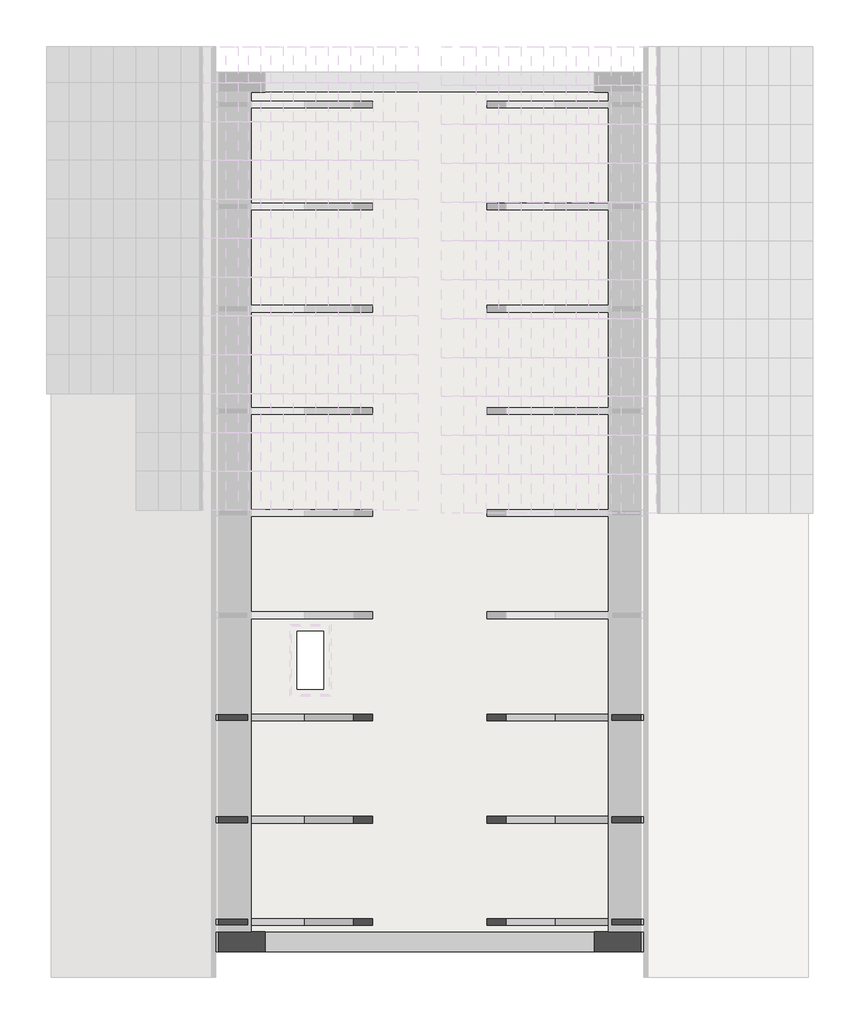
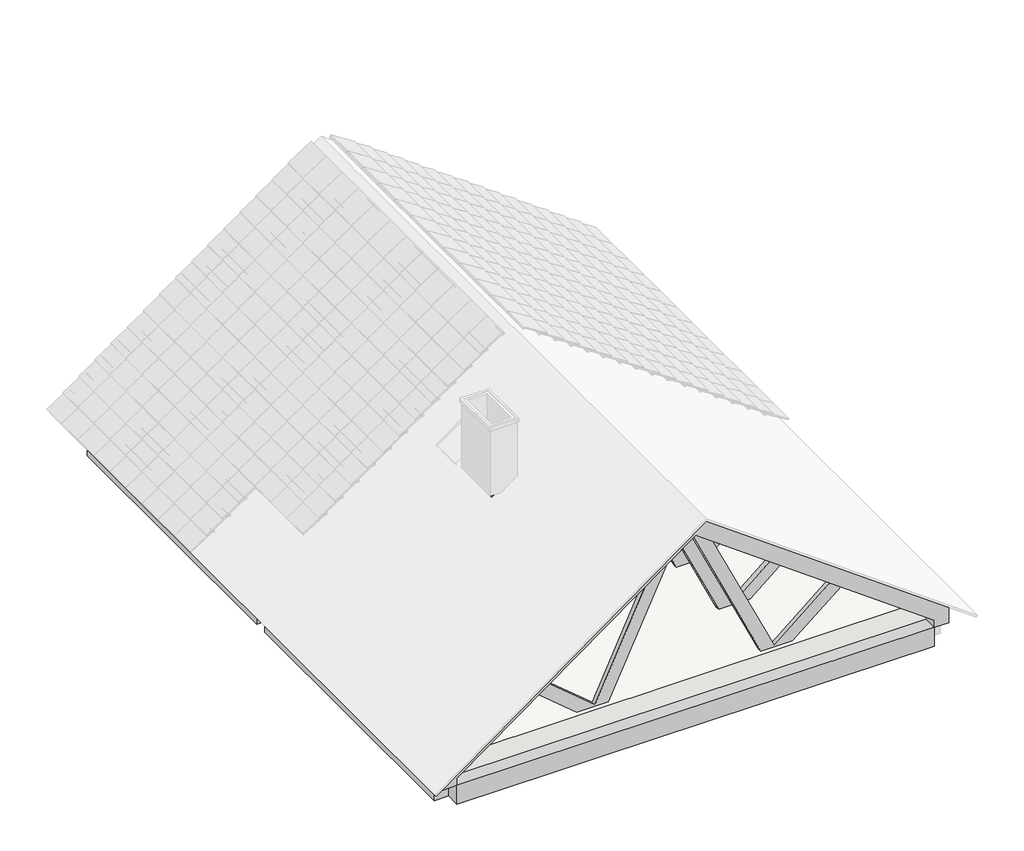
# One storey, part 8 of 9: 7 beams, 1 slab.
"""IFC4 building model written with IfcOpenShell, lengths in millimetres."""

from ifc_helpers import new_model, si_unit, frame, origin, place, context, project, spatial, polyline, outline, extrude, faceted_brep, element, save

model = new_model("IFC4")

# Units and contexts
model_context = context("Model", 3, world=origin())
ifc_project = project(units=[si_unit("LENGTHUNIT", "METRE", prefix="MILLI")], contexts=[model_context])

# Site, building, storey
site = spatial("IfcSite", under=ifc_project)
building = spatial("IfcBuilding", under=site)
storey = spatial("IfcBuildingStorey", under=building, Elevation=5669.9999999)

# Beams
placement = place(None, origin())
element("IfcBeam", 1, at=placement, inside=storey, context=model_context, shape_type="SweptSolid", body=[
    extrude(outline(polyline([(5766.7606605, -3657.9272493), (7946.3882445, -657.9272493), (5766.7606605, 2342.0727507), (5669.9999999, 2342.0727507), (5669.9999999, 2522.0727507), (5944.9999999, 2522.0727507), (8255.4052389, -657.9272493), (5944.9999999, -3837.9272493), (5669.9999999, -3837.9272493), (5669.9999999, -3657.9272493), (5766.7606605, -3657.9272493)])), frame((0.0, -4069.715237, 0.0), z_axis=(0.0, 1.0, 0.0), x_axis=(0.0, 0.0, 1.0)), (0.0, 0.0, 1.0), 180.0),
])
element("IfcBeam", 2, at=placement, inside=storey, context=model_context, shape_type="SolidModel", body=[
    faceted_brep([(-3837.9272493, -3829.715237, 5729.9999999), (-3817.9272493, -3829.715237, 5729.9999999), (-3677.9272493, -3829.715237, 5729.9999999), (-3662.9272493, -3829.715237, 5729.9999999), (-3657.9272493, -3829.715237, 5729.9999999), (-507.9197273, -3829.715237, 5729.9999999), (-382.9197273, -3829.715237, 5729.9999999), (2342.0727507, -3829.715237, 5729.9999999), (2347.0727507, -3829.715237, 5729.9999999), (2362.0727507, -3829.715237, 5729.9999999), (2502.0727507, -3829.715237, 5729.9999999), (2522.0727507, -3829.715237, 5729.9999999), (2522.0727507, -3829.715237, 5889.9999999), (2325.5654977, -3829.715237, 5889.9999999), (2300.0459734, -3829.715237, 5889.9999999), (661.8736823, -3829.715237, 5889.9999999), (316.2164222, -3829.715237, 5889.9999999), (-1632.0709208, -3829.715237, 5889.9999999), (-1977.7281809, -3829.715237, 5889.9999999), (-3615.900472, -3829.715237, 5889.9999999), (-3641.4199962, -3829.715237, 5889.9999999), (-3837.9272493, -3829.715237, 5889.9999999), (-3837.9272493, -3769.715237, 5729.9999999), (-3837.9272493, -3769.715237, 5889.9999999), (-3641.4199962, -3769.715237, 5889.9999999), (-3615.900472, -3769.715237, 5889.9999999), (-1977.7281809, -3769.715237, 5889.9999999), (-1632.0709208, -3769.715237, 5889.9999999), (316.2164222, -3769.715237, 5889.9999999), (661.8736823, -3769.715237, 5889.9999999), (2300.0459734, -3769.715237, 5889.9999999), (2325.5654977, -3769.715237, 5889.9999999), (2522.0727507, -3769.715237, 5889.9999999), (2522.0727507, -3769.715237, 5729.9999999), (2502.0727507, -3769.715237, 5729.9999999), (2362.0727507, -3769.715237, 5729.9999999), (2347.0727507, -3769.715237, 5729.9999999), (2342.0727507, -3769.715237, 5729.9999999), (-382.9197273, -3769.715237, 5729.9999999), (-507.9197273, -3769.715237, 5729.9999999), (-3657.9272493, -3769.715237, 5729.9999999), (-3662.9272493, -3769.715237, 5729.9999999), (-3677.9272493, -3769.715237, 5729.9999999), (-3817.9272493, -3769.715237, 5729.9999999)], [[[0, 1, 2, 3, 4, 5, 6, 7, 8, 9, 10, 11, 12, 13, 14, 15, 16, 17, 18, 19, 20, 21]], [[22, 23, 24, 25, 26, 27, 28, 29, 30, 31, 32, 33, 34, 35, 36, 37, 38, 39, 40, 41, 42, 43]], [[11, 10, 9, 8, 7, 6, 5, 4, 3, 2, 1, 0, 22, 43, 42, 41, 40, 39, 38, 37, 36, 35, 34, 33]], [[12, 11, 33, 32]], [[21, 20, 19, 18, 17, 16, 15, 14, 13, 12, 32, 31, 30, 29, 28, 27, 26, 25, 24, 23]], [[0, 21, 23, 22]]]),
    extrude(outline(polyline([(8255.4052389, -657.9272493), (8057.6343625, -657.9272493), (5889.9999999, 2325.5654977), (5889.9999999, 2522.0727507), (5944.9999999, 2522.0727507), (8255.4052389, -657.9272493)])), frame((0.0, -3829.715237, 0.0), z_axis=(0.0, 1.0, 0.0), x_axis=(0.0, 0.0, 1.0)), (0.0, 0.0, 1.0), 60.0),
    faceted_brep([(1433.9232753, -3829.715237, 6537.8159942), (1300.5175785, -3829.715237, 6634.7409064), (1288.6750376, -3829.715237, 6624.8039963), (470.3489062, -3829.715237, 5938.1580072), (-440.4591019, -3829.715237, 7881.0934853), (-453.6400094, -3829.715237, 7909.2109948), (-657.9272493, -3829.715237, 8057.6343625), (-657.9272493, -3829.715237, 7968.0431035), (302.153042, -3829.715237, 5919.9999999), (316.2164222, -3829.715237, 5889.9999999), (661.8736823, -3829.715237, 5889.9999999), (697.6268714, -3829.715237, 5919.9999999), (1422.0807344, -3829.715237, 6527.8790841), (-453.6400094, -3769.715237, 7909.2109948), (-657.9272493, -3769.715237, 8057.6343625), (-657.9272493, -3769.715237, 7968.0431035), (1433.9232753, -3769.715237, 6537.8159942), (1422.0807344, -3769.715237, 6527.8790841), (697.6268714, -3769.715237, 5919.9999999), (661.8736823, -3769.715237, 5889.9999999), (316.2164222, -3769.715237, 5889.9999999), (302.153042, -3769.715237, 5919.9999999), (-440.4591019, -3769.715237, 7881.0934853), (470.3489062, -3769.715237, 5938.1580072), (1288.6750376, -3769.715237, 6624.8039963), (1300.5175785, -3769.715237, 6634.7409064)], [[[0, 1, 2, 3, 4, 5, 6, 7, 8, 9, 10, 11, 12]], [[6, 5, 13, 14]], [[7, 6, 14, 15]], [[16, 17, 18, 19, 20, 21, 15, 14, 13, 22, 23, 24, 25]], [[0, 12, 11, 10, 19, 18, 17, 16]], [[10, 9, 20, 19]], [[9, 8, 7, 15, 21, 20]], [[5, 4, 3, 23, 22, 13]], [[3, 2, 1, 25, 24, 23]], [[1, 0, 16, 25]]]),
    faceted_brep([(-2749.7777739, -3829.715237, 6537.8159942), (-2737.935233, -3829.715237, 6527.8790841), (-2013.48137, -3829.715237, 5919.9999999), (-1977.7281809, -3829.715237, 5889.9999999), (-1632.0709208, -3829.715237, 5889.9999999), (-1618.0075406, -3829.715237, 5919.9999999), (-657.9272493, -3829.715237, 7968.0431035), (-657.9272493, -3829.715237, 8057.6343625), (-862.2144892, -3829.715237, 7909.2109948), (-875.3953967, -3829.715237, 7881.0934853), (-1786.2034048, -3829.715237, 5938.1580072), (-2604.5295362, -3829.715237, 6624.8039963), (-2616.372077, -3829.715237, 6634.7409064), (-657.9272493, -3769.715237, 7968.0431035), (-657.9272493, -3769.715237, 8057.6343625), (-862.2144892, -3769.715237, 7909.2109948), (-2749.7777739, -3769.715237, 6537.8159942), (-2616.372077, -3769.715237, 6634.7409064), (-2604.5295362, -3769.715237, 6624.8039963), (-1786.2034048, -3769.715237, 5938.1580072), (-875.3953967, -3769.715237, 7881.0934853), (-1618.0075406, -3769.715237, 5919.9999999), (-1632.0709208, -3769.715237, 5889.9999999), (-1977.7281809, -3769.715237, 5889.9999999), (-2013.48137, -3769.715237, 5919.9999999), (-2737.935233, -3769.715237, 6527.8790841)], [[[0, 1, 2, 3, 4, 5, 6, 7, 8, 9, 10, 11, 12]], [[7, 6, 13, 14]], [[8, 7, 14, 15]], [[16, 17, 18, 19, 20, 15, 14, 13, 21, 22, 23, 24, 25]], [[3, 2, 1, 0, 16, 25, 24, 23]], [[4, 3, 23, 22]], [[6, 5, 4, 22, 21, 13]], [[10, 9, 8, 15, 20, 19]], [[12, 11, 10, 19, 18, 17]], [[0, 12, 17, 16]]]),
    extrude(outline(polyline([(8255.4052389, -657.9272493), (5944.9999999, -3837.9272493), (5889.9999999, -3837.9272493), (5889.9999999, -3641.4199962), (8057.6343625, -657.9272493), (8255.4052389, -657.9272493)])), frame((0.0, -3829.715237, 0.0), z_axis=(0.0, 1.0, 0.0), x_axis=(0.0, 0.0, 1.0)), (0.0, 0.0, 1.0), 60.0),
])
element("IfcBeam", 3, at=placement, inside=storey, context=model_context, shape_type="SolidModel", body=[
    faceted_brep([(-3837.9272493, -2909.715237, 5729.9999999), (-3817.9272493, -2909.715237, 5729.9999999), (-3677.9272493, -2909.715237, 5729.9999999), (-3662.9272493, -2909.715237, 5729.9999999), (-3657.9272493, -2909.715237, 5729.9999999), (-507.9197273, -2909.715237, 5729.9999999), (-382.9197273, -2909.715237, 5729.9999999), (2342.0727507, -2909.715237, 5729.9999999), (2347.0727507, -2909.715237, 5729.9999999), (2362.0727507, -2909.715237, 5729.9999999), (2502.0727507, -2909.715237, 5729.9999999), (2522.0727507, -2909.715237, 5729.9999999), (2522.0727507, -2909.715237, 5889.9999999), (2325.5654977, -2909.715237, 5889.9999999), (2300.0459734, -2909.715237, 5889.9999999), (661.8736823, -2909.715237, 5889.9999999), (316.2164222, -2909.715237, 5889.9999999), (-1632.0709208, -2909.715237, 5889.9999999), (-1977.7281809, -2909.715237, 5889.9999999), (-3615.900472, -2909.715237, 5889.9999999), (-3641.4199962, -2909.715237, 5889.9999999), (-3837.9272493, -2909.715237, 5889.9999999), (-3837.9272493, -2849.715237, 5729.9999999), (-3837.9272493, -2849.715237, 5889.9999999), (-3641.4199962, -2849.715237, 5889.9999999), (-3615.900472, -2849.715237, 5889.9999999), (-1977.7281809, -2849.715237, 5889.9999999), (-1632.0709208, -2849.715237, 5889.9999999), (316.2164222, -2849.715237, 5889.9999999), (661.8736823, -2849.715237, 5889.9999999), (2300.0459734, -2849.715237, 5889.9999999), (2325.5654977, -2849.715237, 5889.9999999), (2522.0727507, -2849.715237, 5889.9999999), (2522.0727507, -2849.715237, 5729.9999999), (2502.0727507, -2849.715237, 5729.9999999), (2362.0727507, -2849.715237, 5729.9999999), (2347.0727507, -2849.715237, 5729.9999999), (2342.0727507, -2849.715237, 5729.9999999), (-382.9197273, -2849.715237, 5729.9999999), (-507.9197273, -2849.715237, 5729.9999999), (-3657.9272493, -2849.715237, 5729.9999999), (-3662.9272493, -2849.715237, 5729.9999999), (-3677.9272493, -2849.715237, 5729.9999999), (-3817.9272493, -2849.715237, 5729.9999999)], [[[0, 1, 2, 3, 4, 5, 6, 7, 8, 9, 10, 11, 12, 13, 14, 15, 16, 17, 18, 19, 20, 21]], [[22, 23, 24, 25, 26, 27, 28, 29, 30, 31, 32, 33, 34, 35, 36, 37, 38, 39, 40, 41, 42, 43]], [[11, 10, 9, 8, 7, 6, 5, 4, 3, 2, 1, 0, 22, 43, 42, 41, 40, 39, 38, 37, 36, 35, 34, 33]], [[12, 11, 33, 32]], [[21, 20, 19, 18, 17, 16, 15, 14, 13, 12, 32, 31, 30, 29, 28, 27, 26, 25, 24, 23]], [[0, 21, 23, 22]]]),
    extrude(outline(polyline([(8255.4052389, -657.9272493), (8057.6343625, -657.9272493), (5889.9999999, 2325.5654977), (5889.9999999, 2522.0727507), (5944.9999999, 2522.0727507), (8255.4052389, -657.9272493)])), frame((0.0, -2909.715237, 0.0), z_axis=(0.0, 1.0, 0.0), x_axis=(0.0, 0.0, 1.0)), (0.0, 0.0, 1.0), 60.0),
    faceted_brep([(1433.9232753, -2909.715237, 6537.8159942), (1300.5175785, -2909.715237, 6634.7409064), (1288.6750376, -2909.715237, 6624.8039963), (470.3489062, -2909.715237, 5938.1580072), (-440.4591019, -2909.715237, 7881.0934853), (-453.6400094, -2909.715237, 7909.2109948), (-657.9272493, -2909.715237, 8057.6343625), (-657.9272493, -2909.715237, 7968.0431035), (302.153042, -2909.715237, 5919.9999999), (316.2164222, -2909.715237, 5889.9999999), (661.8736823, -2909.715237, 5889.9999999), (697.6268714, -2909.715237, 5919.9999999), (1422.0807344, -2909.715237, 6527.8790841), (-453.6400094, -2849.715237, 7909.2109948), (-657.9272493, -2849.715237, 8057.6343625), (-657.9272493, -2849.715237, 7968.0431035), (1433.9232753, -2849.715237, 6537.8159942), (1422.0807344, -2849.715237, 6527.8790841), (697.6268714, -2849.715237, 5919.9999999), (661.8736823, -2849.715237, 5889.9999999), (316.2164222, -2849.715237, 5889.9999999), (302.153042, -2849.715237, 5919.9999999), (-440.4591019, -2849.715237, 7881.0934853), (470.3489062, -2849.715237, 5938.1580072), (1288.6750376, -2849.715237, 6624.8039963), (1300.5175785, -2849.715237, 6634.7409064)], [[[0, 1, 2, 3, 4, 5, 6, 7, 8, 9, 10, 11, 12]], [[6, 5, 13, 14]], [[7, 6, 14, 15]], [[16, 17, 18, 19, 20, 21, 15, 14, 13, 22, 23, 24, 25]], [[0, 12, 11, 10, 19, 18, 17, 16]], [[10, 9, 20, 19]], [[9, 8, 7, 15, 21, 20]], [[5, 4, 3, 23, 22, 13]], [[3, 2, 1, 25, 24, 23]], [[1, 0, 16, 25]]]),
    faceted_brep([(-2749.7777739, -2909.715237, 6537.8159942), (-2737.935233, -2909.715237, 6527.8790841), (-2013.48137, -2909.715237, 5919.9999999), (-1977.7281809, -2909.715237, 5889.9999999), (-1632.0709208, -2909.715237, 5889.9999999), (-1618.0075406, -2909.715237, 5919.9999999), (-657.9272493, -2909.715237, 7968.0431035), (-657.9272493, -2909.715237, 8057.6343625), (-862.2144892, -2909.715237, 7909.2109948), (-875.3953967, -2909.715237, 7881.0934853), (-1786.2034048, -2909.715237, 5938.1580072), (-2604.5295362, -2909.715237, 6624.8039963), (-2616.372077, -2909.715237, 6634.7409064), (-657.9272493, -2849.715237, 7968.0431035), (-657.9272493, -2849.715237, 8057.6343625), (-862.2144892, -2849.715237, 7909.2109948), (-2749.7777739, -2849.715237, 6537.8159942), (-2616.372077, -2849.715237, 6634.7409064), (-2604.5295362, -2849.715237, 6624.8039963), (-1786.2034048, -2849.715237, 5938.1580072), (-875.3953967, -2849.715237, 7881.0934853), (-1618.0075406, -2849.715237, 5919.9999999), (-1632.0709208, -2849.715237, 5889.9999999), (-1977.7281809, -2849.715237, 5889.9999999), (-2013.48137, -2849.715237, 5919.9999999), (-2737.935233, -2849.715237, 6527.8790841)], [[[0, 1, 2, 3, 4, 5, 6, 7, 8, 9, 10, 11, 12]], [[7, 6, 13, 14]], [[8, 7, 14, 15]], [[16, 17, 18, 19, 20, 15, 14, 13, 21, 22, 23, 24, 25]], [[3, 2, 1, 0, 16, 25, 24, 23]], [[4, 3, 23, 22]], [[6, 5, 4, 22, 21, 13]], [[10, 9, 8, 15, 20, 19]], [[12, 11, 10, 19, 18, 17]], [[0, 12, 17, 16]]]),
    extrude(outline(polyline([(8255.4052389, -657.9272493), (5944.9999999, -3837.9272493), (5889.9999999, -3837.9272493), (5889.9999999, -3641.4199962), (8057.6343625, -657.9272493), (8255.4052389, -657.9272493)])), frame((0.0, -2909.715237, 0.0), z_axis=(0.0, 1.0, 0.0), x_axis=(0.0, 0.0, 1.0)), (0.0, 0.0, 1.0), 60.0),
])
element("IfcBeam", 4, at=placement, inside=storey, context=model_context, shape_type="SolidModel", body=[
    faceted_brep([(-3837.9272493, -1989.715237, 5729.9999999), (-3817.9272493, -1989.715237, 5729.9999999), (-3677.9272493, -1989.715237, 5729.9999999), (-3662.9272493, -1989.715237, 5729.9999999), (-3657.9272493, -1989.715237, 5729.9999999), (-507.9197273, -1989.715237, 5729.9999999), (-382.9197273, -1989.715237, 5729.9999999), (2342.0727507, -1989.715237, 5729.9999999), (2347.0727507, -1989.715237, 5729.9999999), (2362.0727507, -1989.715237, 5729.9999999), (2502.0727507, -1989.715237, 5729.9999999), (2522.0727507, -1989.715237, 5729.9999999), (2522.0727507, -1989.715237, 5889.9999999), (2325.5654977, -1989.715237, 5889.9999999), (2300.0459734, -1989.715237, 5889.9999999), (661.8736823, -1989.715237, 5889.9999999), (316.2164222, -1989.715237, 5889.9999999), (-1632.0709208, -1989.715237, 5889.9999999), (-1977.7281809, -1989.715237, 5889.9999999), (-3615.900472, -1989.715237, 5889.9999999), (-3641.4199962, -1989.715237, 5889.9999999), (-3837.9272493, -1989.715237, 5889.9999999), (-3837.9272493, -1929.715237, 5729.9999999), (-3837.9272493, -1929.715237, 5889.9999999), (-3641.4199962, -1929.715237, 5889.9999999), (-3615.900472, -1929.715237, 5889.9999999), (-1977.7281809, -1929.715237, 5889.9999999), (-1632.0709208, -1929.715237, 5889.9999999), (316.2164222, -1929.715237, 5889.9999999), (661.8736823, -1929.715237, 5889.9999999), (2300.0459734, -1929.715237, 5889.9999999), (2325.5654977, -1929.715237, 5889.9999999), (2522.0727507, -1929.715237, 5889.9999999), (2522.0727507, -1929.715237, 5729.9999999), (2502.0727507, -1929.715237, 5729.9999999), (2362.0727507, -1929.715237, 5729.9999999), (2347.0727507, -1929.715237, 5729.9999999), (2342.0727507, -1929.715237, 5729.9999999), (-382.9197273, -1929.715237, 5729.9999999), (-507.9197273, -1929.715237, 5729.9999999), (-3657.9272493, -1929.715237, 5729.9999999), (-3662.9272493, -1929.715237, 5729.9999999), (-3677.9272493, -1929.715237, 5729.9999999), (-3817.9272493, -1929.715237, 5729.9999999)], [[[0, 1, 2, 3, 4, 5, 6, 7, 8, 9, 10, 11, 12, 13, 14, 15, 16, 17, 18, 19, 20, 21]], [[22, 23, 24, 25, 26, 27, 28, 29, 30, 31, 32, 33, 34, 35, 36, 37, 38, 39, 40, 41, 42, 43]], [[11, 10, 9, 8, 7, 6, 5, 4, 3, 2, 1, 0, 22, 43, 42, 41, 40, 39, 38, 37, 36, 35, 34, 33]], [[12, 11, 33, 32]], [[21, 20, 19, 18, 17, 16, 15, 14, 13, 12, 32, 31, 30, 29, 28, 27, 26, 25, 24, 23]], [[0, 21, 23, 22]]]),
    extrude(outline(polyline([(8255.4052389, -657.9272493), (8057.6343625, -657.9272493), (5889.9999999, 2325.5654977), (5889.9999999, 2522.0727507), (5944.9999999, 2522.0727507), (8255.4052389, -657.9272493)])), frame((0.0, -1989.715237, 0.0), z_axis=(0.0, 1.0, 0.0), x_axis=(0.0, 0.0, 1.0)), (0.0, 0.0, 1.0), 60.0),
    faceted_brep([(1433.9232753, -1989.715237, 6537.8159942), (1300.5175785, -1989.715237, 6634.7409064), (1288.6750376, -1989.715237, 6624.8039963), (470.3489062, -1989.715237, 5938.1580072), (-440.4591019, -1989.715237, 7881.0934853), (-453.6400094, -1989.715237, 7909.2109948), (-657.9272493, -1989.715237, 8057.6343625), (-657.9272493, -1989.715237, 7968.0431035), (302.153042, -1989.715237, 5919.9999999), (316.2164222, -1989.715237, 5889.9999999), (661.8736823, -1989.715237, 5889.9999999), (697.6268714, -1989.715237, 5919.9999999), (1422.0807344, -1989.715237, 6527.8790841), (-453.6400094, -1929.715237, 7909.2109948), (-657.9272493, -1929.715237, 8057.6343625), (-657.9272493, -1929.715237, 7968.0431035), (1433.9232753, -1929.715237, 6537.8159942), (1422.0807344, -1929.715237, 6527.8790841), (697.6268714, -1929.715237, 5919.9999999), (661.8736823, -1929.715237, 5889.9999999), (316.2164222, -1929.715237, 5889.9999999), (302.153042, -1929.715237, 5919.9999999), (-440.4591019, -1929.715237, 7881.0934853), (470.3489062, -1929.715237, 5938.1580072), (1288.6750376, -1929.715237, 6624.8039963), (1300.5175785, -1929.715237, 6634.7409064)], [[[0, 1, 2, 3, 4, 5, 6, 7, 8, 9, 10, 11, 12]], [[6, 5, 13, 14]], [[7, 6, 14, 15]], [[16, 17, 18, 19, 20, 21, 15, 14, 13, 22, 23, 24, 25]], [[0, 12, 11, 10, 19, 18, 17, 16]], [[10, 9, 20, 19]], [[9, 8, 7, 15, 21, 20]], [[5, 4, 3, 23, 22, 13]], [[3, 2, 1, 25, 24, 23]], [[1, 0, 16, 25]]]),
    faceted_brep([(-2749.7777739, -1989.715237, 6537.8159942), (-2737.935233, -1989.715237, 6527.8790841), (-2013.48137, -1989.715237, 5919.9999999), (-1977.7281809, -1989.715237, 5889.9999999), (-1632.0709208, -1989.715237, 5889.9999999), (-1618.0075406, -1989.715237, 5919.9999999), (-657.9272493, -1989.715237, 7968.0431035), (-657.9272493, -1989.715237, 8057.6343625), (-862.2144892, -1989.715237, 7909.2109948), (-875.3953967, -1989.715237, 7881.0934853), (-1786.2034048, -1989.715237, 5938.1580072), (-2604.5295362, -1989.715237, 6624.8039963), (-2616.372077, -1989.715237, 6634.7409064), (-657.9272493, -1929.715237, 7968.0431035), (-657.9272493, -1929.715237, 8057.6343625), (-862.2144892, -1929.715237, 7909.2109948), (-2749.7777739, -1929.715237, 6537.8159942), (-2616.372077, -1929.715237, 6634.7409064), (-2604.5295362, -1929.715237, 6624.8039963), (-1786.2034048, -1929.715237, 5938.1580072), (-875.3953967, -1929.715237, 7881.0934853), (-1618.0075406, -1929.715237, 5919.9999999), (-1632.0709208, -1929.715237, 5889.9999999), (-1977.7281809, -1929.715237, 5889.9999999), (-2013.48137, -1929.715237, 5919.9999999), (-2737.935233, -1929.715237, 6527.8790841)], [[[0, 1, 2, 3, 4, 5, 6, 7, 8, 9, 10, 11, 12]], [[7, 6, 13, 14]], [[8, 7, 14, 15]], [[16, 17, 18, 19, 20, 15, 14, 13, 21, 22, 23, 24, 25]], [[3, 2, 1, 0, 16, 25, 24, 23]], [[4, 3, 23, 22]], [[6, 5, 4, 22, 21, 13]], [[10, 9, 8, 15, 20, 19]], [[12, 11, 10, 19, 18, 17]], [[0, 12, 17, 16]]]),
    extrude(outline(polyline([(8255.4052389, -657.9272493), (5944.9999999, -3837.9272493), (5889.9999999, -3837.9272493), (5889.9999999, -3641.4199962), (8057.6343625, -657.9272493), (8255.4052389, -657.9272493)])), frame((0.0, -1989.715237, 0.0), z_axis=(0.0, 1.0, 0.0), x_axis=(0.0, 0.0, 1.0)), (0.0, 0.0, 1.0), 60.0),
])
element("IfcBeam", 5, ObjectType="180 x 250 mm", at=placement, inside=storey, context=model_context, shape_type="SweptSolid", body=[
    extrude(outline(polyline([(-3837.9272493, 3670.284763), (-3657.9272493, 3670.284763), (-3657.9272493, -19.715237), (-3837.9272493, -19.715237), (-3837.9272493, 3670.284763)])), frame((0.0, 0.0, 5419.9999999), z_axis=(0.0, 0.0, 1.0), x_axis=(1.0, 0.0, 0.0)), (0.0, 0.0, 1.0), 250.0),
    extrude(outline(polyline([(-3657.9272493, -3889.715237), (-3837.9272493, -3889.715237), (-3837.9272493, -199.715237), (-3657.9272493, -199.715237), (-3657.9272493, -3889.715237)])), frame((0.0, 0.0, 5419.9999999), z_axis=(0.0, 0.0, 1.0), x_axis=(1.0, 0.0, 0.0)), (0.0, 0.0, 1.0), 250.0),
])
element("IfcBeam", 6, ObjectType="180 x 250 mm", at=placement, inside=storey, context=model_context, shape_type="Brep", body=[
    faceted_brep([(-3657.9272493, -3889.715237, 5669.9999999), (-3657.9272493, -4069.715237, 5669.9999999), (2342.0727507, -4069.715237, 5669.9999999), (2342.0727507, -3889.715237, 5669.9999999), (-3657.9272493, -3889.715237, 5419.9999999), (2342.0727507, -3889.715237, 5419.9999999), (1142.0727509, -3889.715237, 5419.9999999), (142.0727509, -3889.715237, 5419.9999999), (-1857.9272492, -3889.715237, 5419.9999999), (-2457.9272492, -3889.715237, 5419.9999999), (-3657.9272493, -4069.715237, 5419.9999999), (2342.0727507, -4069.715237, 5419.9999999), (1142.0727509, -4069.715237, 5419.9999999), (142.0727509, -4069.715237, 5419.9999999), (-1857.9272492, -4069.715237, 5419.9999999), (-2457.9272492, -4069.715237, 5419.9999999)], [[[0, 1, 2, 3]], [[4, 0, 3, 5, 6, 7, 8, 9]], [[10, 4, 9, 8, 7, 6, 5, 11, 12, 13, 14, 15]], [[1, 10, 15, 14, 13, 12, 11, 2]], [[1, 0, 4, 10]], [[3, 2, 11, 5]]]),
])
element("IfcBeam", 7, ObjectType="60x140mm", at=placement, inside=storey, context=model_context, shape_type="Brep", body=[
    faceted_brep([(-3817.9272493, 3670.284763, 5729.9999999), (-3677.9272493, 3670.284763, 5729.9999999), (-3677.9272493, 3670.284763, 5669.9999999), (-3817.9272493, 3670.284763, 5669.9999999), (-3817.9272493, -3889.715237, 5729.9999999), (-3817.9272493, -3889.715237, 5669.9999999), (-3677.9272493, -3889.715237, 5669.9999999), (-3677.9272493, -3889.715237, 5729.9999999), (-3817.9272493, 3590.284763, 5729.9999999), (-3817.9272493, 3530.284763, 5729.9999999), (-3817.9272493, 2670.284763, 5729.9999999), (-3817.9272493, 2610.284763, 5729.9999999), (-3817.9272493, 1750.284763, 5729.9999999), (-3817.9272493, 1690.284763, 5729.9999999), (-3817.9272493, 830.284763, 5729.9999999), (-3817.9272493, 770.284763, 5729.9999999), (-3817.9272493, -89.715237, 5729.9999999), (-3817.9272493, -149.715237, 5729.9999999), (-3817.9272493, -1009.715237, 5729.9999999), (-3817.9272493, -1069.715237, 5729.9999999), (-3817.9272493, -1929.715237, 5729.9999999), (-3817.9272493, -1989.715237, 5729.9999999), (-3817.9272493, -2849.715237, 5729.9999999), (-3817.9272493, -2909.715237, 5729.9999999), (-3817.9272493, -3769.715237, 5729.9999999), (-3817.9272493, -3829.715237, 5729.9999999), (-3677.9272493, -3829.715237, 5729.9999999), (-3677.9272493, -3769.715237, 5729.9999999), (-3677.9272493, -2909.715237, 5729.9999999), (-3677.9272493, -2849.715237, 5729.9999999), (-3677.9272493, -1989.715237, 5729.9999999), (-3677.9272493, -1929.715237, 5729.9999999), (-3677.9272493, -1069.715237, 5729.9999999), (-3677.9272493, -1009.715237, 5729.9999999), (-3677.9272493, -149.715237, 5729.9999999), (-3677.9272493, -89.715237, 5729.9999999), (-3677.9272493, 770.284763, 5729.9999999), (-3677.9272493, 830.284763, 5729.9999999), (-3677.9272493, 1690.284763, 5729.9999999), (-3677.9272493, 1750.284763, 5729.9999999), (-3677.9272493, 2610.284763, 5729.9999999), (-3677.9272493, 2670.284763, 5729.9999999), (-3677.9272493, 3530.284763, 5729.9999999), (-3677.9272493, 3590.284763, 5729.9999999)], [[[0, 1, 2, 3]], [[4, 5, 6, 7]], [[1, 0, 8, 9, 10, 11, 12, 13, 14, 15, 16, 17, 18, 19, 20, 21, 22, 23, 24, 25, 4, 7, 26, 27, 28, 29, 30, 31, 32, 33, 34, 35, 36, 37, 38, 39, 40, 41, 42, 43]], [[2, 1, 43, 42, 41, 40, 39, 38, 37, 36, 35, 34, 33, 32, 31, 30, 29, 28, 27, 26, 7, 6]], [[3, 2, 6, 5]], [[0, 3, 5, 4, 25, 24, 23, 22, 21, 20, 19, 18, 17, 16, 15, 14, 13, 12, 11, 10, 9, 8]]]),
])

# Slab
element("IfcSlab", 8, at=placement, inside=storey, context=model_context, shape_type="Brep", body=[
    faceted_brep([(2342.0727507, 3670.284763, 5629.9999999), (2342.0727507, -3889.715237, 5629.9999999), (-3657.9272493, -3889.715237, 5629.9999999), (-3657.9272493, 3670.284763, 5629.9999999), (-1612.9272492, -1184.7138206, 5629.9999999), (-1852.9272492, -1184.7138206, 5629.9999999), (-1852.9272492, -1704.7138206, 5629.9999999), (-1612.9272492, -1704.7138206, 5629.9999999), (-507.9197273, 3655.284763, 5629.9999999), (-507.9197273, -3874.715237, 5629.9999999), (-382.9197273, -3874.715237, 5629.9999999), (-382.9197273, 3655.284763, 5629.9999999), (2258.7545158, 3670.284763, 5919.9999999), (-3574.6090144, 3670.284763, 5919.9999999), (-3574.6090144, -3889.715237, 5919.9999999), (2258.7545158, -3889.715237, 5919.9999999), (-1852.9272492, -1184.7138206, 5919.9999999), (-1612.9272492, -1184.7138206, 5919.9999999), (-1612.9272492, -1704.7138206, 5919.9999999), (-1852.9272492, -1704.7138206, 5919.9999999), (-1618.0075406, 3530.284763, 5919.9999999), (-2013.48137, 3530.284763, 5919.9999999), (-2013.48137, 3590.284763, 5919.9999999), (-1618.0075406, 3590.284763, 5919.9999999), (697.6268714, 3530.284763, 5919.9999999), (302.153042, 3530.284763, 5919.9999999), (302.153042, 3590.284763, 5919.9999999), (697.6268714, 3590.284763, 5919.9999999), (-1618.0075406, 2610.284763, 5919.9999999), (-2013.48137, 2610.284763, 5919.9999999), (-2013.48137, 2670.284763, 5919.9999999), (-1618.0075406, 2670.284763, 5919.9999999), (697.6268714, 2610.284763, 5919.9999999), (302.153042, 2610.284763, 5919.9999999), (302.153042, 2670.284763, 5919.9999999), (697.6268714, 2670.284763, 5919.9999999), (-1618.0075406, 770.284763, 5919.9999999), (-2013.48137, 770.284763, 5919.9999999), (-2013.48137, 830.284763, 5919.9999999), (-1618.0075406, 830.284763, 5919.9999999), (697.6268714, 770.284763, 5919.9999999), (302.153042, 770.284763, 5919.9999999), (302.153042, 830.284763, 5919.9999999), (697.6268714, 830.284763, 5919.9999999), (-1618.0075406, -149.715237, 5919.9999999), (-2013.48137, -149.715237, 5919.9999999), (-2013.48137, -89.715237, 5919.9999999), (-1618.0075406, -89.715237, 5919.9999999), (697.6268714, -149.715237, 5919.9999999), (302.153042, -149.715237, 5919.9999999), (302.153042, -89.715237, 5919.9999999), (697.6268714, -89.715237, 5919.9999999), (-1618.0075406, -1069.715237, 5919.9999999), (-2013.48137, -1069.715237, 5919.9999999), (-2013.48137, -1009.715237, 5919.9999999), (-1618.0075406, -1009.715237, 5919.9999999), (697.6268714, -1069.715237, 5919.9999999), (302.153042, -1069.715237, 5919.9999999), (302.153042, -1009.715237, 5919.9999999), (697.6268714, -1009.715237, 5919.9999999), (-1618.0075406, -1989.715237, 5919.9999999), (-2013.48137, -1989.715237, 5919.9999999), (-2013.48137, -1929.715237, 5919.9999999), (-1618.0075406, -1929.715237, 5919.9999999), (697.6268714, -1989.715237, 5919.9999999), (302.153042, -1989.715237, 5919.9999999), (302.153042, -1929.715237, 5919.9999999), (697.6268714, -1929.715237, 5919.9999999), (-1618.0075406, -2909.715237, 5919.9999999), (-2013.48137, -2909.715237, 5919.9999999), (-2013.48137, -2849.715237, 5919.9999999), (-1618.0075406, -2849.715237, 5919.9999999), (697.6268714, -2909.715237, 5919.9999999), (302.153042, -2909.715237, 5919.9999999), (302.153042, -2849.715237, 5919.9999999), (697.6268714, -2849.715237, 5919.9999999), (-1618.0075406, -3829.715237, 5919.9999999), (-2013.48137, -3829.715237, 5919.9999999), (-2013.48137, -3769.715237, 5919.9999999), (-1618.0075406, -3769.715237, 5919.9999999), (697.6268714, -3829.715237, 5919.9999999), (302.153042, -3829.715237, 5919.9999999), (302.153042, -3769.715237, 5919.9999999), (697.6268714, -3769.715237, 5919.9999999), (-1618.0075406, 1690.284763, 5919.9999999), (-2013.48137, 1690.284763, 5919.9999999), (-2013.48137, 1750.284763, 5919.9999999), (-1618.0075406, 1750.284763, 5919.9999999), (697.6268714, 1690.284763, 5919.9999999), (302.153042, 1690.284763, 5919.9999999), (302.153042, 1750.284763, 5919.9999999), (697.6268714, 1750.284763, 5919.9999999), (2342.0727507, 3670.284763, 5859.4657589), (2342.0727507, 3590.284763, 5859.4657589), (2342.0727507, 3590.284763, 5729.9999999), (2342.0727507, 3530.284763, 5729.9999999), (2342.0727507, 3530.284763, 5859.4657589), (2342.0727507, 2670.284763, 5859.4657589), (2342.0727507, 2670.284763, 5729.9999999), (2342.0727507, 2610.284763, 5729.9999999), (2342.0727507, 2610.284763, 5859.4657589), (2342.0727507, 1750.284763, 5859.4657589), (2342.0727507, 1750.284763, 5729.9999999), (2342.0727507, 1690.284763, 5729.9999999), (2342.0727507, 1690.284763, 5859.4657589), (2342.0727507, 830.284763, 5859.4657589), (2342.0727507, 830.284763, 5729.9999999), (2342.0727507, 770.284763, 5729.9999999), (2342.0727507, 770.284763, 5859.4657589), (2342.0727507, -89.715237, 5859.4657589), (2342.0727507, -89.715237, 5729.9999999), (2342.0727507, -149.715237, 5729.9999999), (2342.0727507, -149.715237, 5859.4657589), (2342.0727507, -1009.715237, 5859.4657589), (2342.0727507, -1009.715237, 5729.9999999), (2342.0727507, -1069.715237, 5729.9999999), (2342.0727507, -1069.715237, 5859.4657589), (2342.0727507, -1929.715237, 5859.4657589), (2342.0727507, -1929.715237, 5729.9999999), (2342.0727507, -1989.715237, 5729.9999999), (2342.0727507, -1989.715237, 5859.4657589), (2342.0727507, -2849.715237, 5859.4657589), (2342.0727507, -2849.715237, 5729.9999999), (2342.0727507, -2909.715237, 5729.9999999), (2342.0727507, -2909.715237, 5859.4657589), (2342.0727507, -3769.715237, 5859.4657589), (2342.0727507, -3769.715237, 5729.9999999), (2342.0727507, -3829.715237, 5729.9999999), (2342.0727507, -3829.715237, 5859.4657589), (2342.0727507, -3889.715237, 5859.4657589), (-3657.9272493, -3889.715237, 5859.4657589), (-3657.9272493, -3829.715237, 5859.4657589), (-3657.9272493, -3829.715237, 5729.9999999), (-3657.9272493, -3769.715237, 5729.9999999), (-3657.9272493, -3769.715237, 5859.4657589), (-3657.9272493, -2909.715237, 5859.4657589), (-3657.9272493, -2909.715237, 5729.9999999), (-3657.9272493, -2849.715237, 5729.9999999), (-3657.9272493, -2849.715237, 5859.4657589), (-3657.9272493, -1989.715237, 5859.4657589), (-3657.9272493, -1989.715237, 5729.9999999), (-3657.9272493, -1929.715237, 5729.9999999), (-3657.9272493, -1929.715237, 5859.4657589), (-3657.9272493, -1069.715237, 5859.4657589), (-3657.9272493, -1069.715237, 5729.9999999), (-3657.9272493, -1009.715237, 5729.9999999), (-3657.9272493, -1009.715237, 5859.4657589), (-3657.9272493, -149.715237, 5859.4657589), (-3657.9272493, -149.715237, 5729.9999999), (-3657.9272493, -89.715237, 5729.9999999), (-3657.9272493, -89.715237, 5859.4657589), (-3657.9272493, 770.284763, 5859.4657589), (-3657.9272493, 770.284763, 5729.9999999), (-3657.9272493, 830.284763, 5729.9999999), (-3657.9272493, 830.284763, 5859.4657589), (-3657.9272493, 1690.284763, 5859.4657589), (-3657.9272493, 1690.284763, 5729.9999999), (-3657.9272493, 1750.284763, 5729.9999999), (-3657.9272493, 1750.284763, 5859.4657589), (-3657.9272493, 2610.284763, 5859.4657589), (-3657.9272493, 2610.284763, 5729.9999999), (-3657.9272493, 2670.284763, 5729.9999999), (-3657.9272493, 2670.284763, 5859.4657589), (-3657.9272493, 3530.284763, 5859.4657589), (-3657.9272493, 3530.284763, 5729.9999999), (-3657.9272493, 3590.284763, 5729.9999999), (-3657.9272493, 3590.284763, 5859.4657589), (-3657.9272493, 3670.284763, 5859.4657589), (-3615.900472, 3590.284763, 5889.9999999), (-3615.900472, 3530.284763, 5889.9999999), (-3615.900472, 2670.284763, 5889.9999999), (-3615.900472, 2610.284763, 5889.9999999), (-3615.900472, 1750.284763, 5889.9999999), (-3615.900472, 1690.284763, 5889.9999999), (-3615.900472, 830.284763, 5889.9999999), (-3615.900472, 770.284763, 5889.9999999), (-3615.900472, -89.715237, 5889.9999999), (-3615.900472, -149.715237, 5889.9999999), (-3615.900472, -1009.715237, 5889.9999999), (-3615.900472, -1069.715237, 5889.9999999), (-3615.900472, -1929.715237, 5889.9999999), (-3615.900472, -1989.715237, 5889.9999999), (-3615.900472, -2849.715237, 5889.9999999), (-3615.900472, -2909.715237, 5889.9999999), (-3615.900472, -3769.715237, 5889.9999999), (-3615.900472, -3829.715237, 5889.9999999), (2300.0459734, -3829.715237, 5889.9999999), (2300.0459734, -3769.715237, 5889.9999999), (2300.0459734, -2909.715237, 5889.9999999), (2300.0459734, -2849.715237, 5889.9999999), (2300.0459734, -1989.715237, 5889.9999999), (2300.0459734, -1929.715237, 5889.9999999), (2300.0459734, -1069.715237, 5889.9999999), (2300.0459734, -1009.715237, 5889.9999999), (2300.0459734, -149.715237, 5889.9999999), (2300.0459734, -89.715237, 5889.9999999), (2300.0459734, 770.284763, 5889.9999999), (2300.0459734, 830.284763, 5889.9999999), (2300.0459734, 1690.284763, 5889.9999999), (2300.0459734, 1750.284763, 5889.9999999), (2300.0459734, 2610.284763, 5889.9999999), (2300.0459734, 2670.284763, 5889.9999999), (2300.0459734, 3530.284763, 5889.9999999), (2300.0459734, 3590.284763, 5889.9999999), (-382.9197273, 3590.284763, 5729.9999999), (-382.9197273, 3530.284763, 5729.9999999), (-507.9197273, 3530.284763, 5729.9999999), (-507.9197273, 3590.284763, 5729.9999999), (661.8736823, 3530.284763, 5889.9999999), (661.8736823, 3590.284763, 5889.9999999), (316.2164222, 3530.284763, 5889.9999999), (-1632.0709208, 3530.284763, 5889.9999999), (-1632.0709208, 3590.284763, 5889.9999999), (316.2164222, 3590.284763, 5889.9999999), (-1977.7281809, 3530.284763, 5889.9999999), (-1977.7281809, 3590.284763, 5889.9999999), (-382.9197273, 2670.284763, 5729.9999999), (-382.9197273, 2610.284763, 5729.9999999), (-507.9197273, 2610.284763, 5729.9999999), (-507.9197273, 2670.284763, 5729.9999999), (661.8736823, 2610.284763, 5889.9999999), (661.8736823, 2670.284763, 5889.9999999), (316.2164222, 2610.284763, 5889.9999999), (-1632.0709208, 2610.284763, 5889.9999999), (-1632.0709208, 2670.284763, 5889.9999999), (316.2164222, 2670.284763, 5889.9999999), (-1977.7281809, 2610.284763, 5889.9999999), (-1977.7281809, 2670.284763, 5889.9999999), (-382.9197273, 830.284763, 5729.9999999), (-382.9197273, 770.284763, 5729.9999999), (-507.9197273, 770.284763, 5729.9999999), (-507.9197273, 830.284763, 5729.9999999), (661.8736823, 770.284763, 5889.9999999), (661.8736823, 830.284763, 5889.9999999), (316.2164222, 770.284763, 5889.9999999), (-1632.0709208, 770.284763, 5889.9999999), (-1632.0709208, 830.284763, 5889.9999999), (316.2164222, 830.284763, 5889.9999999), (-1977.7281809, 770.284763, 5889.9999999), (-1977.7281809, 830.284763, 5889.9999999), (-382.9197273, -89.715237, 5729.9999999), (-382.9197273, -149.715237, 5729.9999999), (-507.9197273, -149.715237, 5729.9999999), (-507.9197273, -89.715237, 5729.9999999), (661.8736823, -149.715237, 5889.9999999), (661.8736823, -89.715237, 5889.9999999), (316.2164222, -149.715237, 5889.9999999), (-1632.0709208, -149.715237, 5889.9999999), (-1632.0709208, -89.715237, 5889.9999999), (316.2164222, -89.715237, 5889.9999999), (-1977.7281809, -149.715237, 5889.9999999), (-1977.7281809, -89.715237, 5889.9999999), (-382.9197273, -1009.715237, 5729.9999999), (-382.9197273, -1069.715237, 5729.9999999), (-507.9197273, -1069.715237, 5729.9999999), (-507.9197273, -1009.715237, 5729.9999999), (661.8736823, -1069.715237, 5889.9999999), (661.8736823, -1009.715237, 5889.9999999), (316.2164222, -1069.715237, 5889.9999999), (-1632.0709208, -1069.715237, 5889.9999999), (-1632.0709208, -1009.715237, 5889.9999999), (316.2164222, -1009.715237, 5889.9999999), (-1977.7281809, -1069.715237, 5889.9999999), (-1977.7281809, -1009.715237, 5889.9999999), (-382.9197273, -1929.715237, 5729.9999999), (-382.9197273, -1989.715237, 5729.9999999), (-507.9197273, -1989.715237, 5729.9999999), (-507.9197273, -1929.715237, 5729.9999999), (661.8736823, -1989.715237, 5889.9999999), (661.8736823, -1929.715237, 5889.9999999), (316.2164222, -1989.715237, 5889.9999999), (-1632.0709208, -1989.715237, 5889.9999999), (-1632.0709208, -1929.715237, 5889.9999999), (316.2164222, -1929.715237, 5889.9999999), (-1977.7281809, -1989.715237, 5889.9999999), (-1977.7281809, -1929.715237, 5889.9999999), (-382.9197273, -2849.715237, 5729.9999999), (-382.9197273, -2909.715237, 5729.9999999), (-507.9197273, -2909.715237, 5729.9999999), (-507.9197273, -2849.715237, 5729.9999999), (661.8736823, -2909.715237, 5889.9999999), (661.8736823, -2849.715237, 5889.9999999), (316.2164222, -2909.715237, 5889.9999999), (-1632.0709208, -2909.715237, 5889.9999999), (-1632.0709208, -2849.715237, 5889.9999999), (316.2164222, -2849.715237, 5889.9999999), (-1977.7281809, -2909.715237, 5889.9999999), (-1977.7281809, -2849.715237, 5889.9999999), (-382.9197273, -3769.715237, 5729.9999999), (-382.9197273, -3829.715237, 5729.9999999), (-507.9197273, -3829.715237, 5729.9999999), (-507.9197273, -3769.715237, 5729.9999999), (661.8736823, -3829.715237, 5889.9999999), (661.8736823, -3769.715237, 5889.9999999), (316.2164222, -3829.715237, 5889.9999999), (-1632.0709208, -3829.715237, 5889.9999999), (-1632.0709208, -3769.715237, 5889.9999999), (316.2164222, -3769.715237, 5889.9999999), (-1977.7281809, -3829.715237, 5889.9999999), (-1977.7281809, -3769.715237, 5889.9999999), (-382.9197273, 1750.284763, 5729.9999999), (-382.9197273, 1690.284763, 5729.9999999), (-507.9197273, 1690.284763, 5729.9999999), (-507.9197273, 1750.284763, 5729.9999999), (661.8736823, 1690.284763, 5889.9999999), (661.8736823, 1750.284763, 5889.9999999), (316.2164222, 1690.284763, 5889.9999999), (-1632.0709208, 1690.284763, 5889.9999999), (-1632.0709208, 1750.284763, 5889.9999999), (316.2164222, 1750.284763, 5889.9999999), (-1977.7281809, 1690.284763, 5889.9999999), (-1977.7281809, 1750.284763, 5889.9999999), (-507.9197273, 3655.284763, 5730.4999999), (-507.9197273, 3590.284763, 5730.4999999), (-507.9197273, 3530.284763, 5730.4999999), (-507.9197273, 2670.284763, 5730.4999999), (-507.9197273, 2610.284763, 5730.4999999), (-507.9197273, 1750.284763, 5730.4999999), (-507.9197273, 1690.284763, 5730.4999999), (-507.9197273, 830.284763, 5730.4999999), (-507.9197273, 770.284763, 5730.4999999), (-507.9197273, -89.715237, 5730.4999999), (-507.9197273, -149.715237, 5730.4999999), (-507.9197273, -1009.715237, 5730.4999999), (-507.9197273, -1069.715237, 5730.4999999), (-507.9197273, -1929.715237, 5730.4999999), (-507.9197273, -1989.715237, 5730.4999999), (-507.9197273, -2849.715237, 5730.4999999), (-507.9197273, -2909.715237, 5730.4999999), (-507.9197273, -3769.715237, 5730.4999999), (-507.9197273, -3829.715237, 5730.4999999), (-507.9197273, -3874.715237, 5730.4999999), (-382.9197273, -3874.715237, 5730.4999999), (-382.9197273, -3829.715237, 5730.4999999), (-382.9197273, -3769.715237, 5730.4999999), (-382.9197273, -2909.715237, 5730.4999999), (-382.9197273, -2849.715237, 5730.4999999), (-382.9197273, -1989.715237, 5730.4999999), (-382.9197273, -1929.715237, 5730.4999999), (-382.9197273, -1069.715237, 5730.4999999), (-382.9197273, -1009.715237, 5730.4999999), (-382.9197273, -149.715237, 5730.4999999), (-382.9197273, -89.715237, 5730.4999999), (-382.9197273, 770.284763, 5730.4999999), (-382.9197273, 830.284763, 5730.4999999), (-382.9197273, 1690.284763, 5730.4999999), (-382.9197273, 1750.284763, 5730.4999999), (-382.9197273, 2610.284763, 5730.4999999), (-382.9197273, 2670.284763, 5730.4999999), (-382.9197273, 3530.284763, 5730.4999999), (-382.9197273, 3590.284763, 5730.4999999), (-382.9197273, 3655.284763, 5730.4999999)], [[[0, 1, 2, 3], [4, 5, 6, 7], [8, 9, 10, 11]], [[12, 13, 14, 15], [16, 17, 18, 19], [20, 21, 22, 23], [24, 25, 26, 27], [28, 29, 30, 31], [32, 33, 34, 35], [36, 37, 38, 39], [40, 41, 42, 43], [44, 45, 46, 47], [48, 49, 50, 51], [52, 53, 54, 55], [56, 57, 58, 59], [60, 61, 62, 63], [64, 65, 66, 67], [68, 69, 70, 71], [72, 73, 74, 75], [76, 77, 78, 79], [80, 81, 82, 83], [84, 85, 86, 87], [88, 89, 90, 91]], [[1, 0, 92, 93, 94, 95, 96, 97, 98, 99, 100, 101, 102, 103, 104, 105, 106, 107, 108, 109, 110, 111, 112, 113, 114, 115, 116, 117, 118, 119, 120, 121, 122, 123, 124, 125, 126, 127, 128, 129]], [[2, 1, 129, 15, 14, 130]], [[3, 2, 130, 131, 132, 133, 134, 135, 136, 137, 138, 139, 140, 141, 142, 143, 144, 145, 146, 147, 148, 149, 150, 151, 152, 153, 154, 155, 156, 157, 158, 159, 160, 161, 162, 163, 164, 165, 166, 167]], [[0, 3, 167, 13, 12, 92]], [[4, 17, 16, 5]], [[5, 16, 19, 6]], [[6, 19, 18, 7]], [[17, 4, 7, 18]], [[14, 13, 167, 166, 168, 169, 163, 162, 170, 171, 159, 158, 172, 173, 155, 154, 174, 175, 151, 150, 176, 177, 147, 146, 178, 179, 143, 142, 180, 181, 139, 138, 182, 183, 135, 134, 184, 185, 131, 130]], [[12, 15, 129, 128, 186, 187, 125, 124, 188, 189, 121, 120, 190, 191, 117, 116, 192, 193, 113, 112, 194, 195, 109, 108, 196, 197, 105, 104, 198, 199, 101, 100, 200, 201, 97, 96, 202, 203, 93, 92]], [[95, 94, 204, 205]], [[165, 164, 206, 207]], [[203, 202, 208, 209]], [[210, 211, 212, 213]], [[214, 169, 168, 215]], [[99, 98, 216, 217]], [[161, 160, 218, 219]], [[201, 200, 220, 221]], [[222, 223, 224, 225]], [[226, 171, 170, 227]], [[107, 106, 228, 229]], [[153, 152, 230, 231]], [[197, 196, 232, 233]], [[234, 235, 236, 237]], [[238, 175, 174, 239]], [[111, 110, 240, 241]], [[149, 148, 242, 243]], [[195, 194, 244, 245]], [[246, 247, 248, 249]], [[250, 177, 176, 251]], [[115, 114, 252, 253]], [[145, 144, 254, 255]], [[193, 192, 256, 257]], [[258, 259, 260, 261]], [[262, 179, 178, 263]], [[119, 118, 264, 265]], [[141, 140, 266, 267]], [[191, 190, 268, 269]], [[270, 271, 272, 273]], [[274, 181, 180, 275]], [[123, 122, 276, 277]], [[137, 136, 278, 279]], [[189, 188, 280, 281]], [[282, 283, 284, 285]], [[286, 183, 182, 287]], [[127, 126, 288, 289]], [[133, 132, 290, 291]], [[187, 186, 292, 293]], [[294, 295, 296, 297]], [[298, 185, 184, 299]], [[103, 102, 300, 301]], [[157, 156, 302, 303]], [[199, 198, 304, 305]], [[306, 307, 308, 309]], [[310, 173, 172, 311]], [[8, 312, 313, 207, 206, 314, 315, 219, 218, 316, 317, 303, 302, 318, 319, 231, 230, 320, 321, 243, 242, 322, 323, 255, 254, 324, 325, 267, 266, 326, 327, 279, 278, 328, 329, 291, 290, 330, 331, 9]], [[10, 332, 333, 289, 288, 334, 335, 277, 276, 336, 337, 265, 264, 338, 339, 253, 252, 340, 341, 241, 240, 342, 343, 229, 228, 344, 345, 301, 300, 346, 347, 217, 216, 348, 349, 205, 204, 350, 351, 11]], [[315, 314, 349, 348]], [[321, 320, 343, 342]], [[323, 322, 341, 340]], [[325, 324, 339, 338]], [[327, 326, 337, 336]], [[329, 328, 335, 334]], [[319, 318, 345, 344]], [[317, 316, 347, 346]], [[312, 351, 350, 313]], [[332, 331, 330, 333]], [[351, 312, 8, 11]], [[331, 332, 10, 9]], [[169, 214, 21, 20, 211, 210, 25, 24, 208, 202, 96, 95, 205, 349, 314, 206, 164, 163]], [[215, 168, 166, 165, 207, 313, 350, 204, 94, 93, 203, 209, 27, 26, 213, 212, 23, 22]], [[21, 214, 215, 22]], [[211, 20, 23, 212]], [[208, 24, 27, 209]], [[25, 210, 213, 26]], [[171, 226, 29, 28, 223, 222, 33, 32, 220, 200, 100, 99, 217, 347, 316, 218, 160, 159]], [[227, 170, 162, 161, 219, 315, 348, 216, 98, 97, 201, 221, 35, 34, 225, 224, 31, 30]], [[29, 226, 227, 30]], [[223, 28, 31, 224]], [[220, 32, 35, 221]], [[33, 222, 225, 34]], [[175, 238, 37, 36, 235, 234, 41, 40, 232, 196, 108, 107, 229, 343, 320, 230, 152, 151]], [[239, 174, 154, 153, 231, 319, 344, 228, 106, 105, 197, 233, 43, 42, 237, 236, 39, 38]], [[37, 238, 239, 38]], [[235, 36, 39, 236]], [[232, 40, 43, 233]], [[41, 234, 237, 42]], [[177, 250, 45, 44, 247, 246, 49, 48, 244, 194, 112, 111, 241, 341, 322, 242, 148, 147]], [[251, 176, 150, 149, 243, 321, 342, 240, 110, 109, 195, 245, 51, 50, 249, 248, 47, 46]], [[45, 250, 251, 46]], [[247, 44, 47, 248]], [[244, 48, 51, 245]], [[49, 246, 249, 50]], [[179, 262, 53, 52, 259, 258, 57, 56, 256, 192, 116, 115, 253, 339, 324, 254, 144, 143]], [[263, 178, 146, 145, 255, 323, 340, 252, 114, 113, 193, 257, 59, 58, 261, 260, 55, 54]], [[53, 262, 263, 54]], [[259, 52, 55, 260]], [[256, 56, 59, 257]], [[57, 258, 261, 58]], [[181, 274, 61, 60, 271, 270, 65, 64, 268, 190, 120, 119, 265, 337, 326, 266, 140, 139]], [[275, 180, 142, 141, 267, 325, 338, 264, 118, 117, 191, 269, 67, 66, 273, 272, 63, 62]], [[61, 274, 275, 62]], [[271, 60, 63, 272]], [[268, 64, 67, 269]], [[65, 270, 273, 66]], [[183, 286, 69, 68, 283, 282, 73, 72, 280, 188, 124, 123, 277, 335, 328, 278, 136, 135]], [[287, 182, 138, 137, 279, 327, 336, 276, 122, 121, 189, 281, 75, 74, 285, 284, 71, 70]], [[69, 286, 287, 70]], [[283, 68, 71, 284]], [[280, 72, 75, 281]], [[73, 282, 285, 74]], [[185, 298, 77, 76, 295, 294, 81, 80, 292, 186, 128, 127, 289, 333, 330, 290, 132, 131]], [[299, 184, 134, 133, 291, 329, 334, 288, 126, 125, 187, 293, 83, 82, 297, 296, 79, 78]], [[77, 298, 299, 78]], [[295, 76, 79, 296]], [[292, 80, 83, 293]], [[81, 294, 297, 82]], [[173, 310, 85, 84, 307, 306, 89, 88, 304, 198, 104, 103, 301, 345, 318, 302, 156, 155]], [[311, 172, 158, 157, 303, 317, 346, 300, 102, 101, 199, 305, 91, 90, 309, 308, 87, 86]], [[85, 310, 311, 86]], [[307, 84, 87, 308]], [[304, 88, 91, 305]], [[89, 306, 309, 90]]]),
])

save(model, "model.ifc")
